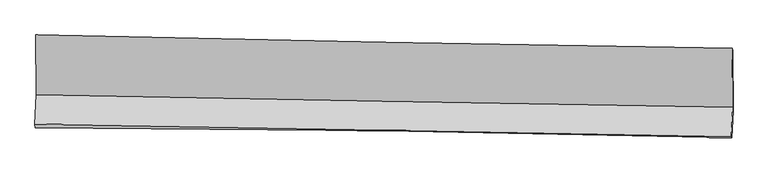
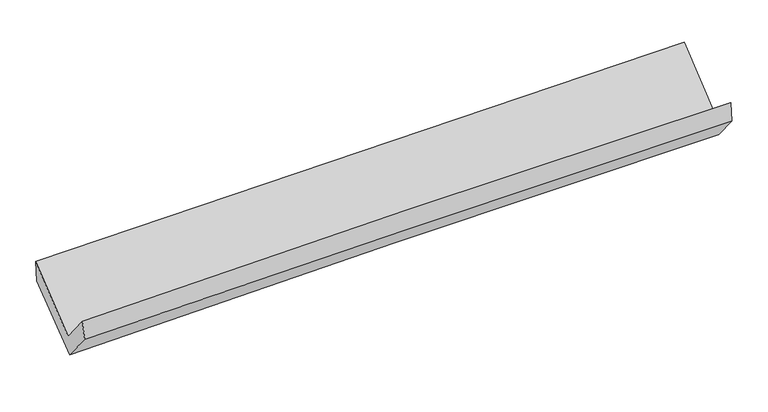
"""IFC4 building model written with IfcOpenShell, lengths in millimetres: proxy geometry."""

import ifcopenshell
import ifcopenshell.guid

model = None  # the IFC model being written
_history = None  # IfcOwnerHistory: only IFC2X3 demands one
_inside = {}  # id of a spatial element -> (the spatial element, [elements in it])
_under = {}  # id of a project, library or spatial element -> (it, [spatial elements below it])
_declared = {}  # id of a project -> (the project, [libraries it declares])
_typed = {}  # id of a type object -> (the type object, [elements of that type])
_made_of = {}  # id of a material, layer set ... -> (it, [elements and type objects made of it])


def new_model(schema):
    """Start an empty IFC model of exactly this schema.

    Asked for "IFC4X3", IfcOpenShell would pick the latest addendum, in which some entities
    have other attributes; the version numbers below select the first issue.
    IFC2X3 requires an IfcOwnerHistory on every rooted entity: one is made here for all.
    """
    global model, _history
    if schema == "IFC4X3":
        model = ifcopenshell.file(schema_version=(4, 3, 0, 0))
    else:
        model = ifcopenshell.file(schema=schema)
    _inside.clear()
    _under.clear()
    _declared.clear()
    _typed.clear()
    _made_of.clear()
    _history = None
    if model.schema == "IFC2X3":
        org = make("IfcOrganization", Name="unknown")
        user = make(
            "IfcPersonAndOrganization",
            ThePerson=make("IfcPerson", FamilyName="unknown"),
            TheOrganization=org,
        )
        app = make(
            "IfcApplication",
            ApplicationDeveloper=org,
            Version="unknown",
            ApplicationFullName="unknown",
            ApplicationIdentifier="unknown",
        )
        _history = make(
            "IfcOwnerHistory",
            OwningUser=user,
            OwningApplication=app,
            ChangeAction="ADDED",
            CreationDate=0,
        )
    return model


def make(cls, **values):
    """One entity of the class cls with the attributes given. An attribute that is None is left unset."""
    return model.create_entity(
        cls, **{name: value for name, value in values.items() if value is not None}
    )


def rooted(cls, **values):
    """An entity with a GlobalId (a new one), such as an element, a storey or a relation."""
    return make(cls, GlobalId=ifcopenshell.guid.new(), OwnerHistory=_history, **values)


def si_unit(unit_type, name, prefix=None):
    """IfcSIUnit, for example si_unit("LENGTHUNIT", "METRE", prefix="MILLI")."""
    return make("IfcSIUnit", UnitType=unit_type, Prefix=prefix, Name=name)


def assignment(units):
    """IfcUnitAssignment: the units of a project."""
    return None if units is None else make("IfcUnitAssignment", Units=units)


def point(xyz):
    """IfcCartesianPoint."""
    return None if xyz is None else make("IfcCartesianPoint", Coordinates=xyz)


def direction(xyz):
    """IfcDirection."""
    return None if xyz is None else make("IfcDirection", DirectionRatios=xyz)


def frame(location, z_axis=None, x_axis=None):
    """IfcAxis2Placement3D, a coordinate frame: its origin and axes. An axis left out is left unset."""
    return make(
        "IfcAxis2Placement3D",
        Location=point(location),
        Axis=direction(z_axis),
        RefDirection=direction(x_axis),
    )


def origin():
    """The frame at (0, 0, 0) with its axes left unset."""
    return frame((0.0, 0.0, 0.0))


def place(relative_to, where):
    """IfcLocalPlacement: puts the frame where relative to a parent placement (None: the world)."""
    return make(
        "IfcLocalPlacement", PlacementRelTo=relative_to, RelativePlacement=where
    )


def context(
    kind, dimensions, precision=None, world=None, true_north=None, identifier=None
):
    """IfcGeometricRepresentationContext, for example the 3D "Model" context."""
    return make(
        "IfcGeometricRepresentationContext",
        ContextIdentifier=identifier,
        ContextType=kind,
        CoordinateSpaceDimension=dimensions,
        Precision=precision,
        WorldCoordinateSystem=world,
        TrueNorth=true_north,
    )


def project(units=None, contexts=None):
    """IfcProject with its units and contexts."""
    return rooted(
        "IfcProject",
        Name="project",
        RepresentationContexts=contexts,
        UnitsInContext=assignment(units),
    )


def spatial(cls, under=None, at=None, **own):
    """A site, building, storey or space (cls), placed at a placement, below another one or the project."""
    s = rooted(cls, ObjectPlacement=at, **own)
    if under is not None:
        _under.setdefault(under.id(), (under, []))[1].append(s)
    return s


def shape(context_of_items, identifier, shape_type, items):
    """IfcShapeRepresentation: the items that make up one representation, for example the "Body"."""
    return make(
        "IfcShapeRepresentation",
        ContextOfItems=context_of_items,
        RepresentationIdentifier=identifier,
        RepresentationType=shape_type,
        Items=items,
    )


def source(mapping_origin, context_of_items, identifier, shape_type, items):
    """IfcRepresentationMap: a shape defined once, which mapped items show again and again."""
    return make(
        "IfcRepresentationMap",
        MappingOrigin=mapping_origin,
        MappedRepresentation=shape(context_of_items, identifier, shape_type, items),
    )


def transform(
    local_origin,
    x_axis=None,
    y_axis=None,
    z_axis=None,
    scale=None,
    scale2=None,
    scale3=None,
    uniform=True,
):
    """IfcCartesianTransformationOperator3D, or its non-uniform kind. x_axis, y_axis, z_axis: its Axis1, 2, 3."""
    if uniform:
        return make(
            "IfcCartesianTransformationOperator3D",
            Axis1=direction(x_axis),
            Axis2=direction(y_axis),
            LocalOrigin=point(local_origin),
            Scale=scale,
            Axis3=direction(z_axis),
        )
    return make(
        "IfcCartesianTransformationOperator3DnonUniform",
        Axis1=direction(x_axis),
        Axis2=direction(y_axis),
        LocalOrigin=point(local_origin),
        Scale=scale,
        Axis3=direction(z_axis),
        Scale2=scale2,
        Scale3=scale3,
    )


def mapped(mapping_source, mapping_target):
    """IfcMappedItem: shows the shape of a source again, moved by a transform."""
    return make(
        "IfcMappedItem", MappingSource=mapping_source, MappingTarget=mapping_target
    )


def made_of(thing, what):
    """Note that an element or type object is made of a material, layer set ...; save() writes the relation."""
    if what is not None:
        _made_of.setdefault(what.id(), (what, []))[1].append(thing)
    return thing


def element(
    cls,
    number,
    at=None,
    inside=None,
    cuts=None,
    type_object=None,
    material=None,
    context=None,
    identifier="Body",
    shape_type=None,
    held_by="IfcProductDefinitionShape",
    body=None,
    shapes=None,
    **own,
):
    """One element of the class cls, such as IfcWall. Its Tag is "e" and its number.

    at: its placement. inside: the storey or other place that contains it. cuts: it is an
    opening in that element (IfcRelVoidsElement). A single representation is given by context,
    identifier, shape_type and body (its items); several are given by shapes. held_by: the class
    of the entity that holds the representations. save() writes the other relations.
    """
    e = rooted(cls, Tag="e%d" % number, ObjectPlacement=at, **own)
    if body is not None:
        shapes = [shape(context, identifier, shape_type, body)]
    if shapes is not None:
        e.Representation = make(held_by, Representations=shapes)
    if inside is not None:
        _inside.setdefault(inside.id(), (inside, []))[1].append(e)
    if cuts is not None:
        rooted(
            "IfcRelVoidsElement", RelatingBuildingElement=cuts, RelatedOpeningElement=e
        )
    if type_object is not None:
        _typed.setdefault(type_object.id(), (type_object, []))[1].append(e)
    return made_of(e, material)


def aggregate(whole, parts):
    """IfcRelAggregates: a whole, such as a stair, and the parts it consists of."""
    return rooted("IfcRelAggregates", RelatingObject=whole, RelatedObjects=parts)


def save(model, path):
    """Write the relations noted so far, then the file.

    IfcRelAggregates (storeys below a building ...), IfcRelContainedInSpatialStructure (elements
    in a storey), IfcRelDefinesByType, IfcRelAssociatesMaterial and IfcRelDeclares: one each for
    every whole, place, type object, material and project.
    """
    for whole, parts in _under.values():
        aggregate(whole, parts)
    for where, things in _inside.values():
        rooted(
            "IfcRelContainedInSpatialStructure",
            RelatedElements=things,
            RelatingStructure=where,
        )
    for kind, things in _typed.values():
        rooted("IfcRelDefinesByType", RelatedObjects=things, RelatingType=kind)
    for what, things in _made_of.values():
        rooted("IfcRelAssociatesMaterial", RelatedObjects=things, RelatingMaterial=what)
    for by, libraries in _declared.values():
        rooted("IfcRelDeclares", RelatingContext=by, RelatedDefinitions=libraries)
    model.write(path)


def plane_surface(at):
    """IfcPlane: the flat surface through the origin of the frame at, square to its z axis."""
    return make("IfcPlane", Position=at)


def spline_curve(degree, points, multiplicities, knots, weights=None):
    """IfcBSplineCurveWithKnots; with weights, IfcRationalBSplineCurveWithKnots."""
    own = dict(
        Degree=degree,
        ControlPointsList=[point(p) for p in points],
        CurveForm="UNSPECIFIED",
        ClosedCurve=False,
        SelfIntersect=False,
        KnotMultiplicities=multiplicities,
        Knots=knots,
        KnotSpec="UNSPECIFIED",
    )
    if weights is None:
        return make("IfcBSplineCurveWithKnots", **own)
    return make("IfcRationalBSplineCurveWithKnots", WeightsData=weights, **own)


def spline_surface(u_degree, v_degree, points, u_multiplicities, v_multiplicities, u_knots, v_knots, weights=None):
    """IfcBSplineSurfaceWithKnots; with weights, IfcRationalBSplineSurfaceWithKnots. points: one row for each step in u."""
    own = dict(
        UDegree=u_degree,
        VDegree=v_degree,
        ControlPointsList=[[point(p) for p in row] for row in points],
        SurfaceForm="UNSPECIFIED",
        UClosed=False,
        VClosed=False,
        SelfIntersect=False,
        UMultiplicities=u_multiplicities,
        VMultiplicities=v_multiplicities,
        UKnots=u_knots,
        VKnots=v_knots,
        KnotSpec="UNSPECIFIED",
    )
    if weights is None:
        return make("IfcBSplineSurfaceWithKnots", **own)
    return make("IfcRationalBSplineSurfaceWithKnots", WeightsData=weights, **own)


def advanced_brep(points, edges, surfaces, faces):
    """IfcAdvancedBrep: a solid bounded by faces that lie on surfaces and meet in shared edges.

    An edge is (start, end): straight between two places in points (the first is 0);
    or (start, end, curve); or (start, end, curve, False) where it runs against its curve.
    A face is (place in surfaces, loops), or (place, loops, False) where it looks against
    its surface's normal. A loop lists edges by number (the first is 1), with a minus sign
    where the edge is run from its end to its start. The first loop is the outer one.
    """
    corners = [point(p) for p in points]
    vertices = [make("IfcVertexPoint", VertexGeometry=c) for c in corners]
    made = []
    for start, end, *more in edges:
        made.append(
            make(
                "IfcEdgeCurve",
                EdgeStart=vertices[start],
                EdgeEnd=vertices[end],
                EdgeGeometry=more[0] if more else make("IfcPolyline", Points=[corners[start], corners[end]]),
                SameSense=more[1] if len(more) > 1 else True,
            )
        )
    hull = []
    for where, loops, *sense in faces:
        bounds = []
        for j, loop in enumerate(loops):
            ring = [make("IfcOrientedEdge", EdgeElement=made[abs(k) - 1], Orientation=k > 0) for k in loop]
            bounds.append(
                make(
                    "IfcFaceOuterBound" if j == 0 else "IfcFaceBound",
                    Bound=make("IfcEdgeLoop", EdgeList=ring),
                    Orientation=True,
                )
            )
        hull.append(make("IfcAdvancedFace", Bounds=bounds, FaceSurface=surfaces[where], SameSense=sense[0] if sense else True))
    return make("IfcAdvancedBrep", Outer=make("IfcClosedShell", CfsFaces=hull))


def generic_models_ce5ad59a(model_context):
    return source(origin(), model_context, "Body", "AdvancedBrep", [
        advanced_brep(
        [(-3021.1852177, -1155.1462545, 2165.0402393), (-3016.882637, -1673.439923, 1735.0181903), (3008.8037415, -1779.452219, 1868.0957747), (3004.22352, -1268.4729045, 2304.7828936), (-3028.5275776, -1926.3277516, 2042.4458179), (2997.1486429, -2037.3004777, 2173.3397765), (-3024.6174465, -1957.0271255, 1879.4137007), (3001.8403608, -2046.3070482, 1992.1149372), (-3012.4372001, -1690.4479874, 1558.9228031), (3012.3863433, -1815.4957146, 1714.625363), (-3016.3686466, -1167.2029425, 1977.5389838), (3008.4653289, -1293.6391033, 2132.1307434)],
        [
            (0, 1),
            (1, 2, spline_curve(3, [(-3016.882637, -1673.439923, 1735.0181903), (-2012.764946958, -1693.645150543, 1762.030801886), (-1008.565527815, -1712.582123125, 1786.626907337), (999.996598591, -1747.91955447, 1830.986101291), (2004.359305493, -1764.320014108, 1850.74919085), (3008.8037415, -1779.452219, 1868.0957747)], [4, 2, 4], [0.0, 9.888660730424451, 19.777319778828172])),
            (2, 3),
            (3, 0, spline_curve(3, [(3004.22352, -1268.4729045, 2304.7828936), (1999.767299678, -1255.329126002, 2286.85122779), (995.421837241, -1239.313350195, 2266.240175012), (-1013.047741857, -1201.537801193, 2219.659291226), (-2017.171858962, -1179.77802697, 2193.689459177), (-3021.1852177, -1155.1462545, 2165.0402393)], [4, 2, 4], [0.0, 9.88865904840372, 19.777319778828172])),
            (1, 4),
            (4, 5, spline_curve(3, [(-3028.5275776, -1926.3277516, 2042.4458179), (-2024.544514382, -1944.228781263, 2075.716824117), (-1020.413255171, -1962.427023773, 2103.26015758), (988.145484947, -1999.417932681, 2146.891474909), (1992.57296572, -2018.210598556, 2162.979461132), (2997.1486429, -2037.3004777, 2173.3397765)], [4, 2, 4], [0.0, 9.888718539916447, 19.77743539780233])),
            (5, 2),
            (4, 6),
            (6, 7, spline_curve(3, [(-3024.6174465, -1957.0271255, 1879.4137007), (-2019.9658395, -1961.129858663, 1894.662548247), (-1015.4351758, -1970.621219897, 1911.678742918), (993.384093354, -2000.381195772, 1949.245822087), (1997.672698935, -2020.649808969, 1969.796706508), (3001.8403608, -2046.3070482, 1992.1149372)], [4, 2, 4], [0.0, 9.888733855342842, 19.777466028652512])),
            (7, 5),
            (6, 8),
            (8, 9, spline_curve(3, [(-3012.4372001, -1690.4479874, 1558.9228031), (-2008.603587918, -1712.453513862, 1595.69502424), (-1004.618110857, -1733.876922225, 1627.056348498), (1003.656403857, -1775.55949743, 1678.957200288), (2007.945440819, -1795.818665329, 1699.496728861), (3012.3863433, -1815.4957146, 1714.625363)], [4, 2, 4], [0.0, 9.888640289744387, 19.77727889747152])),
            (9, 7),
            (8, 10),
            (10, 11, spline_curve(3, [(-3016.3686466, -1167.2029425, 1977.5389838), (-2012.490699927, -1195.109068447, 2009.590498293), (-1008.482185888, -1219.598478855, 2038.498902972), (999.795806088, -1261.74386456, 2090.029488245), (2004.065283971, -1279.399841062, 2112.651670232), (3008.4653289, -1293.6391033, 2132.1307434)], [4, 2, 4], [0.0, 9.888806980354582, 19.777612278663554])),
            (11, 9),
            (10, 0),
            (3, 11),
        ],
        [
            spline_surface(3, 3, [[(-3021.1852177, -1155.1462545, 2165.0402393), (-2017.171858877, -1179.77802691, 2193.689459274), (-1013.047741941, -1201.537801174, 2219.659291199), (995.421837325, -1239.313350214, 2266.24017504), (1999.767299633, -1255.329125916, 2286.85122791), (3004.22352, -1268.4729045, 2304.7828936)], [(-3019.75102413, -1327.910810657, 2021.699556298), (-2015.702888243, -1351.067068127, 2049.803240182), (-1011.553670529, -1371.885908448, 2075.315163221), (996.946757713, -1408.848751665, 2121.155483766), (2001.297968225, -1424.992755306, 2141.483882194), (3005.750260512, -1438.799342644, 2159.220520618)], [(-3018.31683057, -1500.675366843, 1878.358873302), (-2014.233917619, -1522.356109374, 1905.917021095), (-1010.059599122, -1542.234015737, 1930.971035316), (998.471678098, -1578.384153132, 1976.070792563), (2002.828636782, -1594.656384765, 1996.116536523), (3007.277000988, -1609.125780856, 2013.658147682)], [(-3016.882637, -1673.439923, 1735.0181903), (-2012.764946984, -1693.645150591, 1762.030802003), (-1008.565527711, -1712.582123011, 1786.626907338), (999.996598486, -1747.919554584, 1830.986101289), (2004.359305374, -1764.320014156, 1850.749190808), (3008.8037415, -1779.452219, 1868.0957747)]], [4, 4], [4, 2, 4], [0.0, 2.1969936791028015], [0.0, 9.888660730424451, 19.777319778828172]),
            spline_surface(3, 3, [[(-3016.882637, -1673.439923, 1735.0181903), (-2012.764946984, -1693.645150591, 1762.030802003), (-1008.565527711, -1712.582123011, 1786.626907338), (999.996598486, -1747.919554584, 1830.986101289), (2004.359305374, -1764.320014156, 1850.749190808), (3008.8037415, -1779.452219, 1868.0957747)], [(-3020.764283873, -1757.73586587, 1837.494066162), (-2016.691469507, -1777.173027431, 1866.592809339), (-1012.514770225, -1795.86375662, 1892.171324041), (996.046227305, -1831.752347276, 1936.287892534), (2000.43052551, -1848.950208987, 1954.825947603), (3004.918708604, -1865.40163859, 1969.843775314)], [(-3024.645930727, -1842.03180873, 1939.969942038), (-2020.617992012, -1860.700904262, 1971.154816689), (-1016.464012696, -1879.145390206, 1997.715740753), (992.095856168, -1915.585139947, 2041.589683788), (1996.501745733, -1933.580403748, 2058.902704356), (3001.033675796, -1951.35105811, 2071.591775886)], [(-3028.5275776, -1926.3277516, 2042.4458179), (-2024.544514535, -1944.228781103, 2075.716824025), (-1020.41325521, -1962.427023814, 2103.260157456), (988.145484987, -1999.41793264, 2146.891475033), (1992.572965869, -2018.210598579, 2162.979461151), (2997.1486429, -2037.3004777, 2173.3397765)]], [4, 4], [4, 2, 4], [0.0, 1.3245939865605927], [0.0, 9.888718539916447, 19.77743539780233]),
            spline_surface(3, 3, [[(-3028.5275776, -1926.3277516, 2042.4458179), (-2024.544514535, -1944.228781103, 2075.716824025), (-1020.41325521, -1962.427023814, 2103.260157456), (988.145484987, -1999.41793264, 2146.891475033), (1992.572965869, -2018.210598579, 2162.979461151), (2997.1486429, -2037.3004777, 2173.3397765)], [(-3027.224200567, -1936.56087624, 1988.101778836), (-2023.018289469, -1949.862473608, 2015.365398791), (-1018.753895388, -1965.158422473, 2039.399685914), (989.891687764, -1999.739020381, 2081.009590769), (1994.272876876, -2019.023668674, 2098.585209625), (2998.712548891, -2040.302667856, 2112.931496723)], [(-3025.920823533, -1946.79400086, 1933.757739764), (-2021.492064404, -1955.496166095, 1955.01397355), (-1017.094535576, -1967.889821139, 1975.539214338), (991.637890531, -2000.06010813, 2015.127706473), (1995.97278781, -2019.836738799, 2034.19095813), (3000.276454809, -2043.304858044, 2052.523216977)], [(-3024.6174465, -1957.0271255, 1879.4137007), (-2019.965839339, -1961.129858601, 1894.662548315), (-1015.435175755, -1970.621219797, 1911.678742796), (993.384093309, -2000.381195872, 1949.245822209), (1997.672698816, -2020.649808893, 1969.796706604), (3001.8403608, -2046.3070482, 1992.1149372)]], [4, 4], [4, 2, 4], [0.0, 0.6388923944001016], [0.0, 9.888733855342842, 19.777466028652512]),
            spline_surface(3, 3, [[(-3024.6174465, -1957.0271255, 1879.4137007), (-2019.965839339, -1961.129858601, 1894.662548315), (-1015.435175755, -1970.621219797, 1911.678742796), (993.384093309, -2000.381195872, 1949.245822209), (1997.672698816, -2020.649808893, 1969.796706604), (3001.8403608, -2046.3070482, 1992.1149372)], [(-3020.557364372, -1868.167412802, 1772.583401476), (-2016.178422252, -1878.237743728, 1795.006706919), (-1011.829487406, -1891.706453877, 1816.80461142), (996.808196807, -1925.440629769, 1859.149614854), (2001.09694617, -1945.706094334, 1879.696714063), (3005.355688283, -1969.369936988, 1899.61841248)], [(-3016.497282228, -1779.307700098, 1665.753102324), (-2012.39100515, -1795.34562885, 1695.350865595), (-1008.223799104, -1812.791687983, 1721.930480031), (1000.232300258, -1850.500063695, 1769.053407486), (2004.521193574, -1870.76237981, 1789.596721482), (3008.871015817, -1892.432825812, 1807.12188772)], [(-3012.4372001, -1690.4479874, 1558.9228031), (-2008.603588064, -1712.453513977, 1595.695024199), (-1004.618110755, -1733.876922063, 1627.056348655), (1003.656403756, -1775.559497592, 1678.957200131), (2007.945440928, -1795.818665252, 1699.496728941), (3012.3863433, -1815.4957146, 1714.625363)]], [4, 4], [4, 2, 4], [0.0, 1.1845310703223313], [0.0, 9.888640289744387, 19.77727889747152]),
            spline_surface(3, 3, [[(-3012.4372001, -1690.4479874, 1558.9228031), (-2008.603588064, -1712.453513977, 1595.695024199), (-1004.618110755, -1733.876922063, 1627.056348655), (1003.656403756, -1775.559497592, 1678.957200131), (2007.945440928, -1795.818665252, 1699.496728941), (3012.3863433, -1815.4957146, 1714.625363)], [(-3013.747682264, -1516.032972436, 1698.461530025), (-2009.899292008, -1540.005365488, 1733.66018222), (-1005.906135809, -1562.450774334, 1764.203866721), (1002.369537824, -1604.287619941, 1815.981296195), (2006.65205523, -1623.679057239, 1837.215042702), (3011.079338508, -1641.543510833, 1853.793823149)], [(-3015.058164436, -1341.617957464, 1838.000256875), (-2011.194995961, -1367.557216991, 1871.625340166), (-1007.194160784, -1391.024626555, 1901.351384807), (1001.08267197, -1433.01574224, 1953.00539228), (2005.358669507, -1451.539449228, 1974.933356416), (3009.772333692, -1467.591307067, 1992.962283251)], [(-3016.3686466, -1167.2029425, 1977.5389838), (-2012.490699904, -1195.109068502, 2009.590498187), (-1008.482185838, -1219.598478827, 2038.498902873), (999.795806038, -1261.743864589, 2090.029488345), (2004.065283809, -1279.399841215, 2112.651670176), (3008.4653289, -1293.6391033, 2132.1307434)]], [4, 4], [4, 2, 4], [0.0, 2.1598592625750075], [0.0, 9.888806980354582, 19.777612278663554]),
            spline_surface(3, 3, [[(-3016.3686466, -1167.2029425, 1977.5389838), (-2012.490699904, -1195.109068502, 2009.590498187), (-1008.482185838, -1219.598478827, 2038.498902873), (999.795806038, -1261.743864589, 2090.029488345), (2004.065283809, -1279.399841215, 2112.651670176), (3008.4653289, -1293.6391033, 2132.1307434)], [(-3017.974170294, -1163.184046496, 2040.039402304), (-2014.051086223, -1189.998721301, 2070.956818553), (-1010.004037851, -1213.578252935, 2098.885699), (998.337816487, -1254.267026457, 2148.766383928), (2002.632622419, -1271.37626947, 2170.718189403), (3007.051392602, -1285.250370388, 2189.681460116)], [(-3019.579694006, -1159.165150504, 2102.539820796), (-2015.611472558, -1184.888374111, 2132.323138908), (-1011.525889927, -1207.558027065, 2159.272495072), (996.879826875, -1246.790188346, 2207.503279457), (2001.199961023, -1263.352697661, 2228.784708683), (3005.637456298, -1276.861637412, 2247.232176884)], [(-3021.1852177, -1155.1462545, 2165.0402393), (-2017.171858877, -1179.77802691, 2193.689459274), (-1013.047741941, -1201.537801174, 2219.659291199), (995.421837325, -1239.313350214, 2266.24017504), (1999.767299633, -1255.329125916, 2286.85122791), (3004.22352, -1268.4729045, 2304.7828936)]], [4, 4], [4, 2, 4], [0.0, 0.5901717978359448], [0.0, 9.888739871249578, 19.77747806046496]),
            plane_surface(frame((3005.4779896, -1706.7779112, 2030.8482481), z_axis=(0.9995527999913456, -0.013738923566329778, 0.026560158295836956), x_axis=(-0.005866913565909193, 0.7808407055806816, 0.6247026267220858))),
            plane_surface(frame((-3020.0031209, -1594.9319974, 1893.0632892), z_axis=(-0.9995527999911817, 0.013738923569841141, -0.026560158300183417), x_axis=(0.0256268450859949, -0.06414830603903894, -0.9976112768224206))),
        ],
        [
            (0, [[1, 2, 3, 4]]),
            (1, [[5, 6, 7, -2]]),
            (2, [[8, 9, 10, -6]]),
            (3, [[11, 12, 13, -9]]),
            (4, [[14, 15, 16, -12]]),
            (5, [[17, -4, 18, -15]]),
            (6, [[-16, -18, -3, -7, -10, -13]]),
            (7, [[-17, -14, -11, -8, -5, -1]]),
        ],
    ),
    ])


if __name__ == "__main__":
    model = new_model("IFC4")
    model_context = context("Model", 3, world=origin())
    ifc_project = project(units=[si_unit("LENGTHUNIT", "METRE", prefix="MILLI")], contexts=[model_context])
    site = spatial("IfcSite", under=ifc_project)
    building = spatial("IfcBuilding", under=site)
    placement = place(None, origin())
    generic_models_shape = generic_models_ce5ad59a(model_context)
    element("IfcBuildingElementProxy", 1, Name="Generic Models", at=placement, inside=building, context=model_context, shape_type="MappedRepresentation", body=[
        mapped(generic_models_shape, transform((0.0, 0.0, 0.0), x_axis=(1.0, 0.0, 0.0), y_axis=(0.0, 1.0, 0.0), z_axis=(0.0, 0.0, 1.0))),
    ])
    save(model, "model.ifc")
